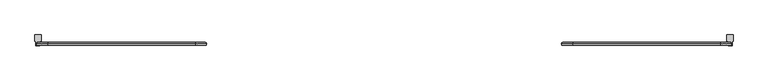
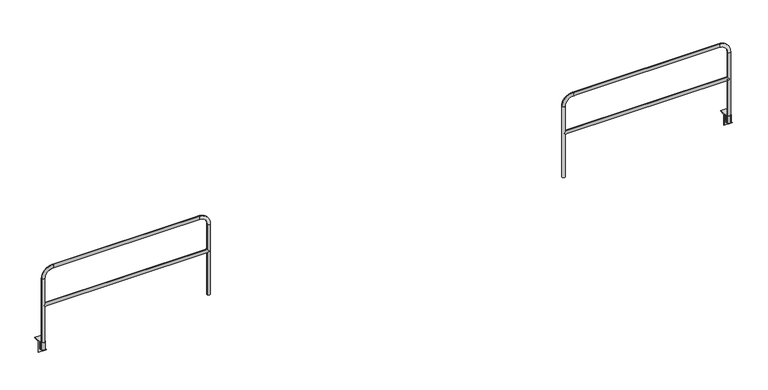
"""IFC4 building model written with IfcOpenShell, lengths in millimetres: railing geometry."""

from ifc_helpers import new_model, si_unit, point, frame, frame_2d, origin, place, context, project, spatial, polyline, circle_curve, ellipse_curve, trimmed, segment, composite_curve, outline, extrude, source, transform, mapped, element, save
from ifc_brep_helpers import plane_surface, cylinder_surface, revolved_surface, advanced_brep


def railing_f17f6f8e(model_context):
    return source(origin(), model_context, "Body", "SolidModel", [
        advanced_brep(
        [(26585.8496377, 12366.0676937, -95.25), (26585.8496377, 12393.0551937, -95.25), (26585.8496377, 12431.1551937, -95.25), (26585.8496377, 12431.1551937, -101.6), (26585.8496377, 12366.0676937, -101.6), (26585.8496377, 12431.1551937, 6.35), (26585.8496377, 12431.1551937, 0.0), (26585.8496377, 12393.0551937, 0.0), (26585.8496377, 12393.0551937, 6.35), (26639.8246377, 12431.1551937, -101.6), (26639.8246377, 12431.1551937, -95.25), (26639.8246377, 12393.0551937, -95.25), (26639.8246377, 12366.0676937, -95.25), (26639.8246377, 12366.0676937, -101.6), (26639.8246377, 12431.1551937, 0.0), (26639.8246377, 12431.1551937, 6.35), (26639.8246377, 12393.0551937, 6.35), (26639.8246377, 12393.0551937, 0.0), (26654.205601, 12513.7051937, 6.35), (26571.4686744, 12513.7051937, 6.35), (26571.4686744, 12431.1551937, 6.35), (26654.205601, 12431.1551937, 6.35), (26654.205601, 12513.7051937, 0.0), (26571.4686744, 12513.7051937, 0.0), (26654.205601, 12437.5051937, 0.0), (26639.8246377, 12437.5051937, 0.0), (26585.8496377, 12437.5051937, 0.0), (26571.4686744, 12437.5051937, 0.0), (26639.8246377, 12437.5051937, -95.25), (26654.205601, 12437.5051937, -152.4), (26571.4686744, 12437.5051937, -152.4), (26585.8496377, 12437.5051937, -95.25), (26612.8371377, 12366.0676937, -95.25), (26654.205601, 12431.1551937, -152.4), (26571.4686744, 12431.1551937, -152.4)],
        [
            (0, 1),
            (1, 2),
            (2, 3),
            (3, 4),
            (4, 0),
            (5, 6),
            (6, 7),
            (7, 8),
            (8, 5),
            (9, 10),
            (10, 11),
            (11, 12),
            (12, 13),
            (13, 9),
            (14, 15),
            (15, 16),
            (16, 17),
            (17, 14),
            (18, 19),
            (19, 20),
            (20, 5),
            (8, 16, circle_curve(frame((26612.8371377, 12393.0551937, 6.35), z_axis=(0.0, 0.0, -1.0), x_axis=(-1.0, 0.0, 0.0)), 26.9875)),
            (15, 21),
            (21, 18),
            (22, 23),
            (23, 19),
            (18, 22),
            (24, 25),
            (25, 14),
            (17, 7, circle_curve(frame((26612.8371377, 12393.0551937, 0.0), z_axis=(0.0, 0.0, 1.0), x_axis=(-1.0, 0.0, 0.0)), 26.9875)),
            (6, 26),
            (26, 27),
            (27, 23),
            (22, 24),
            (28, 25),
            (24, 29),
            (29, 30),
            (30, 27),
            (26, 31),
            (31, 28),
            (31, 2),
            (0, 32),
            (32, 12),
            (10, 28),
            (4, 13),
            (3, 9),
            (21, 33),
            (33, 29),
            (10, 14),
            (30, 34),
            (34, 20),
            (6, 2),
            (34, 33),
        ],
        [
            plane_surface(frame((26585.8496377, 12437.5051937, 0.0), z_axis=(-1.0, 0.0, 0.0), x_axis=(0.0, 0.0, 1.0))),
            plane_surface(frame((26639.8246377, 12437.5051937, 0.0), z_axis=(1.0, 0.0, 0.0), x_axis=(0.0, 0.0, 1.0))),
            plane_surface(frame((26585.8496377, 12513.7051937, 6.35), z_axis=(0.0, 0.0, 1.0), x_axis=(1.0, 0.0, 0.0))),
            plane_surface(frame((26585.8496377, 12513.7051937, 0.0), z_axis=(0.0, 1.0, 0.0), x_axis=(1.0, 0.0, 0.0))),
            plane_surface(frame((26585.8496377, 12393.0551937, 0.0), z_axis=(0.0, 0.0, -1.0), x_axis=(1.0, 0.0, 0.0))),
            plane_surface(frame((26585.8496377, 12437.5051937, -152.4), z_axis=(0.0, 1.0, 0.0), x_axis=(1.0, 0.0, 0.0))),
            plane_surface(frame((26585.8496377, 12437.5051937, -95.25), z_axis=(0.0, 0.0, 1.0), x_axis=(1.0, 0.0, 0.0))),
            plane_surface(frame((26585.8496377, 12366.0676937, -95.25), z_axis=(0.0, -1.0, 0.0), x_axis=(1.0, 0.0, 0.0))),
            plane_surface(frame((26585.8496377, 12366.0676937, -101.6), z_axis=(0.0, 0.0, -1.0), x_axis=(1.0, 0.0, 0.0))),
            plane_surface(frame((26654.205601, 12437.5051937, 0.0), z_axis=(1.0, 0.0, 0.0), x_axis=(0.0, 0.0, 1.0))),
            plane_surface(frame((26639.8246377, 12437.5051937, 0.0), z_axis=(-1.0, 0.0, 0.0), x_axis=(0.0, 0.0, 1.0))),
            plane_surface(frame((26571.4686744, 12437.5051937, 0.0), z_axis=(-1.0, 0.0, 0.0), x_axis=(0.0, 0.0, 1.0))),
            plane_surface(frame((26585.8496377, 12437.5051937, 0.0), z_axis=(1.0, 0.0, 0.0), x_axis=(0.0, 0.0, 1.0))),
            revolved_surface(polyline([(26585.8496377, 12393.0551937, 6.349999999999994), (26585.8496377, 12393.0551937, 0.0)]), (26612.8371377, 12393.0551937, -95.25), (0.0, 0.0, 1.0)),
            plane_surface(frame((26585.8496377, 12431.1551937, -101.6), z_axis=(0.0, -1.0, 0.0), x_axis=(1.0, 0.0, 0.0))),
            plane_surface(frame((26585.8496377, 12431.1551937, -152.4), z_axis=(0.0, 0.0, -1.0), x_axis=(1.0, 0.0, 0.0))),
        ],
        [
            (0, [[1, 2, 3, 4, 5]]),
            (0, [[6, 7, 8, 9]]),
            (1, [[10, 11, 12, 13, 14]]),
            (1, [[15, 16, 17, 18]]),
            (2, [[19, 20, 21, -9, 22, -16, 23, 24]]),
            (3, [[25, 26, -19, 27]]),
            (4, [[28, 29, -18, 30, -7, 31, 32, 33, -25, 34]]),
            (5, [[35, -28, 36, 37, 38, -32, 39, 40]]),
            (6, [[41, -2, -1, 42, 43, -12, -11, 44, -40]]),
            (7, [[45, -13, -43, -42, -5]]),
            (8, [[46, -14, -45, -4]]),
            (9, [[-36, -34, -27, -24, 47, 48]]),
            (10, [[-44, 49, -29, -35]]),
            (11, [[50, 51, -20, -26, -33, -38]]),
            (12, [[-31, 52, -41, -39]]),
            (13, [[-30, -17, -22, -8]]),
            (14, [[-3, -52, -6, -21, -51, 53, -47, -23, -15, -49, -10, -46]]),
            (15, [[-53, -50, -37, -48]]),
        ],
    ),
        extrude(outline(composite_curve([segment(trimmed(circle_curve(frame_2d((26612.8371377, 12393.0551937)), 26.9875), [point((26639.8246377, 12393.0551937))], [point((26585.8496377, 12393.0551937))], False, "CARTESIAN"), True, "CONTINUOUS"), segment(trimmed(circle_curve(frame_2d((26612.8371377, 12393.0551937)), 26.9875), [point((26585.8496377, 12393.0551937))], [point((26639.8246377, 12393.0551937))], False, "CARTESIAN"), True, "CONTINUOUS")], self_intersect=False), holes=[composite_curve([segment(trimmed(circle_curve(frame_2d((26612.8371377, 12393.0551937)), 20.6375), [point((26633.4746377, 12393.0551937))], [point((26592.1996377, 12393.0551937))], True, "CARTESIAN"), True, "CONTINUOUS"), segment(trimmed(circle_curve(frame_2d((26612.8371377, 12393.0551937)), 20.6375), [point((26592.1996377, 12393.0551937))], [point((26633.4746377, 12393.0551937))], True, "CARTESIAN"), True, "CONTINUOUS")], self_intersect=False)]), frame((0.0, 0.0, -95.25), z_axis=(0.0, 0.0, 1.0), x_axis=(1.0, 0.0, 0.0)), (0.0, 0.0, 1.0), 101.6),
        advanced_brep(
        [(24388.7496377, 12393.0551937, 554.0375), (24368.1121377, 12372.4176937, 533.4), (24388.7496377, 12393.0551937, 512.7625), (26592.1996377, 12393.0551937, 512.7625), (26612.8371377, 12372.4176937, 533.4), (26592.1996377, 12393.0551937, 554.0375), (26612.8371377, 12413.6926937, 533.4), (24368.1121377, 12413.6926937, 533.4), (24347.4746377, 12393.0551937, -95.25), (24388.7496377, 12393.0551937, -95.25), (24388.7496377, 12393.0551937, 914.4), (24347.4746377, 12393.0551937, 914.4), (24499.8746377, 12393.0551937, 1025.525), (24499.8746377, 12393.0551937, 1066.8), (26481.0746377, 12393.0551937, 1025.525), (26481.0746377, 12393.0551937, 1066.8), (26592.1996377, 12393.0551937, 914.4), (26633.4746377, 12393.0551937, 914.4), (26633.4746377, 12393.0551937, -95.25), (26592.1996377, 12393.0551937, -95.25)],
        [
            (0, 1, ellipse_curve(frame((24368.1121377, 12393.0551937, 533.4), z_axis=(0.7071067811865475, 0.0, -0.7071067811865475), x_axis=(-0.7071067811865476, 0.0, -0.7071067811865474)), 29.1858324, 20.6375)),
            (1, 2, ellipse_curve(frame((24368.1121377, 12393.0551937, 533.4), z_axis=(0.7071067811865475, 0.0, 0.7071067811865475), x_axis=(-0.7071067811865476, 0.0, 0.7071067811865474)), 29.1858324, 20.6375)),
            (2, 3),
            (3, 4, ellipse_curve(frame((26612.8371377, 12393.0551937, 533.4), z_axis=(-0.7071067811865475, 0.0, 0.7071067811865475), x_axis=(-0.7071067811865476, 0.0, -0.7071067811865474)), 29.1858324, 20.6375)),
            (4, 5, ellipse_curve(frame((26612.8371377, 12393.0551937, 533.4), z_axis=(-0.7071067811865475, 0.0, -0.7071067811865475), x_axis=(-0.7071067811865476, 0.0, 0.7071067811865474)), 29.1858324, 20.6375)),
            (5, 0),
            (5, 6, ellipse_curve(frame((26612.8371377, 12393.0551937, 533.4), z_axis=(-0.7071067811865475, 0.0, -0.7071067811865475), x_axis=(-0.7071067811865476, 0.0, 0.7071067811865474)), 29.1858324, 20.6375)),
            (6, 3, ellipse_curve(frame((26612.8371377, 12393.0551937, 533.4), z_axis=(-0.7071067811865475, 0.0, 0.7071067811865475), x_axis=(-0.7071067811865476, 0.0, -0.7071067811865474)), 29.1858324, 20.6375)),
            (2, 7, ellipse_curve(frame((24368.1121377, 12393.0551937, 533.4), z_axis=(0.7071067811865475, 0.0, 0.7071067811865475), x_axis=(-0.7071067811865476, 0.0, 0.7071067811865474)), 29.1858324, 20.6375)),
            (7, 0, ellipse_curve(frame((24368.1121377, 12393.0551937, 533.4), z_axis=(0.7071067811865475, 0.0, -0.7071067811865475), x_axis=(-0.7071067811865476, 0.0, -0.7071067811865474)), 29.1858324, 20.6375)),
            (8, 9, circle_curve(frame((24368.1121377, 12393.0551937, -95.25), z_axis=(0.0, 0.0, -1.0), x_axis=(1.0, 0.0, 0.0)), 20.6375)),
            (9, 8, circle_curve(frame((24368.1121377, 12393.0551937, -95.25), z_axis=(0.0, 0.0, -1.0), x_axis=(1.0, 0.0, 0.0)), 20.6375)),
            (9, 2),
            (0, 10),
            (10, 11, circle_curve(frame((24368.1121377, 12393.0551937, 914.4), z_axis=(0.0, 0.0, -1.0), x_axis=(1.0, 0.0, 0.0)), 20.6375)),
            (11, 8),
            (11, 10, circle_curve(frame((24368.1121377, 12393.0551937, 914.4), z_axis=(0.0, 0.0, -1.0), x_axis=(1.0, 0.0, 0.0)), 20.6375)),
            (10, 12, circle_curve(frame((24499.8746377, 12393.0551937, 914.4), z_axis=(0.0, 1.0, 0.0), x_axis=(-1.0, 0.0, 0.0)), 111.125)),
            (12, 13, circle_curve(frame((24499.8746377, 12393.0551937, 1046.1625), z_axis=(-1.0, 0.0, 0.0), x_axis=(0.0, 0.0, -1.0)), 20.6375)),
            (13, 11, circle_curve(frame((24499.8746377, 12393.0551937, 914.4), z_axis=(0.0, -1.0, 0.0), x_axis=(-1.0, 0.0, 0.0)), 152.4)),
            (13, 12, circle_curve(frame((24499.8746377, 12393.0551937, 1046.1625), z_axis=(-1.0, 0.0, 0.0), x_axis=(0.0, 0.0, -1.0)), 20.6375)),
            (12, 14),
            (14, 15, circle_curve(frame((26481.0746377, 12393.0551937, 1046.1625), z_axis=(-1.0, 0.0, 0.0), x_axis=(0.0, 0.0, -1.0)), 20.6375)),
            (15, 13),
            (15, 14, circle_curve(frame((26481.0746377, 12393.0551937, 1046.1625), z_axis=(-1.0, 0.0, 0.0), x_axis=(0.0, 0.0, -1.0)), 20.6375)),
            (14, 16, circle_curve(frame((26481.0746377, 12393.0551937, 914.4), z_axis=(0.0, 1.0, 0.0), x_axis=(0.0, 0.0, 1.0)), 111.125)),
            (16, 17, circle_curve(frame((26612.8371377, 12393.0551937, 914.4), z_axis=(0.0, 0.0, 1.0), x_axis=(-1.0, 0.0, 0.0)), 20.6375)),
            (17, 15, circle_curve(frame((26481.0746377, 12393.0551937, 914.4), z_axis=(0.0, -1.0, 0.0), x_axis=(0.0, 0.0, 1.0)), 152.4)),
            (17, 16, circle_curve(frame((26612.8371377, 12393.0551937, 914.4), z_axis=(0.0, 0.0, 1.0), x_axis=(-1.0, 0.0, 0.0)), 20.6375)),
            (18, 19, circle_curve(frame((26612.8371377, 12393.0551937, -95.25), z_axis=(0.0, 0.0, -1.0), x_axis=(-1.0, 0.0, 0.0)), 20.6375)),
            (19, 18, circle_curve(frame((26612.8371377, 12393.0551937, -95.25), z_axis=(0.0, 0.0, -1.0), x_axis=(-1.0, 0.0, 0.0)), 20.6375)),
            (16, 5),
            (3, 19),
            (18, 17),
        ],
        [
            cylinder_surface(frame((24368.1121377, 12393.0551937, 533.4), z_axis=(-1.0, 0.0, 0.0), x_axis=(0.0, 0.0, -1.0)), 20.6375),
            plane_surface(frame((24347.4746377, 12393.0551937, -95.25), z_axis=(0.0, 0.0, -1.0), x_axis=(0.0, -1.0, 0.0))),
            cylinder_surface(frame((24368.1121377, 12393.0551937, -95.25), z_axis=(0.0, 0.0, -1.0), x_axis=(1.0, 0.0, 0.0)), 20.6375),
            revolved_surface(trimmed(ellipse_curve(frame((24368.1121377, 12393.0551937, 914.4), z_axis=(0.0, 0.0, 1.0), x_axis=(1.0, 0.0, 0.0)), 20.6375, 20.6375), [point((24347.4746377, 12393.0551937, 914.4))], [point((24388.7496377, 12393.0551937, 914.4))], True, "CARTESIAN"), (24499.8746377, 12393.0551937, 914.4), (0.0, -1.0, 0.0)),
            revolved_surface(trimmed(ellipse_curve(frame((24368.1121377, 12393.0551937, 914.4), z_axis=(0.0, 0.0, 1.0), x_axis=(1.0, 0.0, 0.0)), 20.6375, 20.6375), [point((24388.7496377, 12393.0551937, 914.4))], [point((24347.4746377, 12393.0551937, 914.4))], True, "CARTESIAN"), (24499.8746377, 12393.0551937, 914.4), (0.0, -1.0, 0.0)),
            cylinder_surface(frame((24499.8746377, 12393.0551937, 1046.1625), z_axis=(-1.0, 0.0, 0.0), x_axis=(0.0, 0.0, -1.0)), 20.6375),
            revolved_surface(trimmed(ellipse_curve(frame((26481.0746377, 12393.0551937, 1046.1625), z_axis=(1.0, 0.0, 0.0), x_axis=(0.0, 0.0, -1.0)), 20.6375, 20.6375), [point((26481.0746377, 12393.0551937, 1066.8))], [point((26481.0746377, 12393.0551937, 1025.525))], True, "CARTESIAN"), (26481.0746377, 12393.0551937, 914.4), (0.0, -1.0, 0.0)),
            revolved_surface(trimmed(ellipse_curve(frame((26481.0746377, 12393.0551937, 1046.1625), z_axis=(1.0, 0.0, 0.0), x_axis=(0.0, 0.0, -1.0)), 20.6375, 20.6375), [point((26481.0746377, 12393.0551937, 1025.525))], [point((26481.0746377, 12393.0551937, 1066.8))], True, "CARTESIAN"), (26481.0746377, 12393.0551937, 914.4), (0.0, -1.0, 0.0)),
            plane_surface(frame((26633.4746377, 12393.0551937, -95.25), z_axis=(0.0, 0.0, -1.0), x_axis=(0.0, -1.0, 0.0))),
            cylinder_surface(frame((26612.8371377, 12393.0551937, 914.4), z_axis=(0.0, 0.0, 1.0), x_axis=(-1.0, 0.0, 0.0)), 20.6375),
        ],
        [
            (0, [[1, 2, 3, 4, 5, 6]]),
            (0, [[7, 8, -3, 9, 10, -6]]),
            (1, [[11, 12]]),
            (2, [[13, -2, -1, 14, 15, 16, -12]]),
            (2, [[-16, 17, -14, -10, -9, -13, -11]]),
            (3, [[18, 19, 20, -15]]),
            (4, [[-20, 21, -18, -17]]),
            (5, [[22, 23, 24, -19]]),
            (5, [[-24, 25, -22, -21]]),
            (6, [[26, 27, 28, -23]]),
            (7, [[-28, 29, -26, -25]]),
            (8, [[30, 31]]),
            (9, [[32, -5, -4, 33, -30, 34, -27]]),
            (9, [[-34, -31, -33, -8, -7, -32, -29]]),
        ],
    ),
        advanced_brep(
        [(17283.7346377, 12366.0676937, -95.25), (17283.7346377, 12393.0551937, -95.25), (17283.7346377, 12431.1551937, -95.25), (17283.7346377, 12431.1551937, -101.6), (17283.7346377, 12366.0676937, -101.6), (17283.7346377, 12431.1551937, 6.35), (17283.7346377, 12431.1551937, 0.0), (17283.7346377, 12393.0551937, 0.0), (17283.7346377, 12393.0551937, 6.35), (17337.7096377, 12431.1551937, -101.6), (17337.7096377, 12431.1551937, -95.25), (17337.7096377, 12393.0551937, -95.25), (17337.7096377, 12366.0676937, -95.25), (17337.7096377, 12366.0676937, -101.6), (17337.7096377, 12431.1551937, 0.0), (17337.7096377, 12431.1551937, 6.35), (17337.7096377, 12393.0551937, 6.35), (17337.7096377, 12393.0551937, 0.0), (17352.090601, 12513.7051937, 6.35), (17269.3536744, 12513.7051937, 6.35), (17269.3536744, 12431.1551937, 6.35), (17352.090601, 12431.1551937, 6.35), (17352.090601, 12513.7051937, 0.0), (17269.3536744, 12513.7051937, 0.0), (17352.090601, 12437.5051937, 0.0), (17337.7096377, 12437.5051937, 0.0), (17283.7346377, 12437.5051937, 0.0), (17269.3536744, 12437.5051937, 0.0), (17337.7096377, 12437.5051937, -95.25), (17352.090601, 12437.5051937, -152.4), (17269.3536744, 12437.5051937, -152.4), (17283.7346377, 12437.5051937, -95.25), (17310.7221377, 12366.0676937, -95.25), (17352.090601, 12431.1551937, -152.4), (17269.3536744, 12431.1551937, -152.4)],
        [
            (0, 1),
            (1, 2),
            (2, 3),
            (3, 4),
            (4, 0),
            (5, 6),
            (6, 7),
            (7, 8),
            (8, 5),
            (9, 10),
            (10, 11),
            (11, 12),
            (12, 13),
            (13, 9),
            (14, 15),
            (15, 16),
            (16, 17),
            (17, 14),
            (18, 19),
            (19, 20),
            (20, 5),
            (8, 16, circle_curve(frame((17310.7221377, 12393.0551937, 6.35), z_axis=(0.0, 0.0, -1.0), x_axis=(-1.0, 0.0, 0.0)), 26.9875)),
            (15, 21),
            (21, 18),
            (22, 23),
            (23, 19),
            (18, 22),
            (24, 25),
            (25, 14),
            (17, 7, circle_curve(frame((17310.7221377, 12393.0551937, 0.0), z_axis=(0.0, 0.0, 1.0), x_axis=(-1.0, 0.0, 0.0)), 26.9875)),
            (6, 26),
            (26, 27),
            (27, 23),
            (22, 24),
            (28, 25),
            (24, 29),
            (29, 30),
            (30, 27),
            (26, 31),
            (31, 28),
            (31, 2),
            (0, 32),
            (32, 12),
            (10, 28),
            (4, 13),
            (3, 9),
            (21, 33),
            (33, 29),
            (10, 14),
            (30, 34),
            (34, 20),
            (6, 2),
            (34, 33),
        ],
        [
            plane_surface(frame((17283.7346377, 12437.5051937, 0.0), z_axis=(-1.0, 0.0, 0.0), x_axis=(0.0, 0.0, 1.0))),
            plane_surface(frame((17337.7096377, 12437.5051937, 0.0), z_axis=(1.0, 0.0, 0.0), x_axis=(0.0, 0.0, 1.0))),
            plane_surface(frame((17283.7346377, 12513.7051937, 6.35), z_axis=(0.0, 0.0, 1.0), x_axis=(1.0, 0.0, 0.0))),
            plane_surface(frame((17283.7346377, 12513.7051937, 0.0), z_axis=(0.0, 1.0, 0.0), x_axis=(1.0, 0.0, 0.0))),
            plane_surface(frame((17283.7346377, 12393.0551937, 0.0), z_axis=(0.0, 0.0, -1.0), x_axis=(1.0, 0.0, 0.0))),
            plane_surface(frame((17283.7346377, 12437.5051937, -152.4), z_axis=(0.0, 1.0, 0.0), x_axis=(1.0, 0.0, 0.0))),
            plane_surface(frame((17283.7346377, 12437.5051937, -95.25), z_axis=(0.0, 0.0, 1.0), x_axis=(1.0, 0.0, 0.0))),
            plane_surface(frame((17283.7346377, 12366.0676937, -95.25), z_axis=(0.0, -1.0, 0.0), x_axis=(1.0, 0.0, 0.0))),
            plane_surface(frame((17283.7346377, 12366.0676937, -101.6), z_axis=(0.0, 0.0, -1.0), x_axis=(1.0, 0.0, 0.0))),
            plane_surface(frame((17352.090601, 12437.5051937, 0.0), z_axis=(1.0, 0.0, 0.0), x_axis=(0.0, 0.0, 1.0))),
            plane_surface(frame((17337.7096377, 12437.5051937, 0.0), z_axis=(-1.0, 0.0, 0.0), x_axis=(0.0, 0.0, 1.0))),
            plane_surface(frame((17269.3536744, 12437.5051937, 0.0), z_axis=(-1.0, 0.0, 0.0), x_axis=(0.0, 0.0, 1.0))),
            plane_surface(frame((17283.7346377, 12437.5051937, 0.0), z_axis=(1.0, 0.0, 0.0), x_axis=(0.0, 0.0, 1.0))),
            revolved_surface(polyline([(17283.7346377, 12393.0551937, 6.349999999999994), (17283.7346377, 12393.0551937, 0.0)]), (17310.7221377, 12393.0551937, -95.25), (0.0, 0.0, 1.0)),
            plane_surface(frame((17283.7346377, 12431.1551937, -101.6), z_axis=(0.0, -1.0, 0.0), x_axis=(1.0, 0.0, 0.0))),
            plane_surface(frame((17283.7346377, 12431.1551937, -152.4), z_axis=(0.0, 0.0, -1.0), x_axis=(1.0, 0.0, 0.0))),
        ],
        [
            (0, [[1, 2, 3, 4, 5]]),
            (0, [[6, 7, 8, 9]]),
            (1, [[10, 11, 12, 13, 14]]),
            (1, [[15, 16, 17, 18]]),
            (2, [[19, 20, 21, -9, 22, -16, 23, 24]]),
            (3, [[25, 26, -19, 27]]),
            (4, [[28, 29, -18, 30, -7, 31, 32, 33, -25, 34]]),
            (5, [[35, -28, 36, 37, 38, -32, 39, 40]]),
            (6, [[41, -2, -1, 42, 43, -12, -11, 44, -40]]),
            (7, [[45, -13, -43, -42, -5]]),
            (8, [[46, -14, -45, -4]]),
            (9, [[-36, -34, -27, -24, 47, 48]]),
            (10, [[-44, 49, -29, -35]]),
            (11, [[50, 51, -20, -26, -33, -38]]),
            (12, [[-31, 52, -41, -39]]),
            (13, [[-30, -17, -22, -8]]),
            (14, [[-3, -52, -6, -21, -51, 53, -47, -23, -15, -49, -10, -46]]),
            (15, [[-53, -50, -37, -48]]),
        ],
    ),
        extrude(outline(composite_curve([segment(trimmed(circle_curve(frame_2d((17310.7221377, 12393.0551937)), 26.9875), [point((17337.7096377, 12393.0551937))], [point((17283.7346377, 12393.0551937))], False, "CARTESIAN"), True, "CONTINUOUS"), segment(trimmed(circle_curve(frame_2d((17310.7221377, 12393.0551937)), 26.9875), [point((17283.7346377, 12393.0551937))], [point((17337.7096377, 12393.0551937))], False, "CARTESIAN"), True, "CONTINUOUS")], self_intersect=False), holes=[composite_curve([segment(trimmed(circle_curve(frame_2d((17310.7221377, 12393.0551937)), 20.6375), [point((17331.3596377, 12393.0551937))], [point((17290.0846377, 12393.0551937))], True, "CARTESIAN"), True, "CONTINUOUS"), segment(trimmed(circle_curve(frame_2d((17310.7221377, 12393.0551937)), 20.6375), [point((17290.0846377, 12393.0551937))], [point((17331.3596377, 12393.0551937))], True, "CARTESIAN"), True, "CONTINUOUS")], self_intersect=False)]), frame((0.0, 0.0, -95.25), z_axis=(0.0, 0.0, 1.0), x_axis=(1.0, 0.0, 0.0)), (0.0, 0.0, 1.0), 101.6),
        advanced_brep(
        [(17331.3596377, 12393.0551937, 554.0375), (17310.7221377, 12372.4176937, 533.4), (17331.3596377, 12393.0551937, 512.7625), (19534.8096377, 12393.0551937, 512.7625), (19555.4471377, 12372.4176937, 533.4), (19534.8096377, 12393.0551937, 554.0375), (19555.4471377, 12413.6926937, 533.4), (17310.7221377, 12413.6926937, 533.4), (17290.0846377, 12393.0551937, -95.25), (17331.3596377, 12393.0551937, -95.25), (17331.3596377, 12393.0551937, 914.4), (17290.0846377, 12393.0551937, 914.4), (17442.4846377, 12393.0551937, 1025.525), (17442.4846377, 12393.0551937, 1066.8), (19423.6846377, 12393.0551937, 1025.525), (19423.6846377, 12393.0551937, 1066.8), (19534.8096377, 12393.0551937, 914.4), (19576.0846377, 12393.0551937, 914.4), (19576.0846377, 12393.0551937, -95.25), (19534.8096377, 12393.0551937, -95.25)],
        [
            (0, 1, ellipse_curve(frame((17310.7221377, 12393.0551937, 533.4), z_axis=(0.7071067811865475, 0.0, -0.7071067811865475), x_axis=(-0.7071067811865476, 0.0, -0.7071067811865474)), 29.1858324, 20.6375)),
            (1, 2, ellipse_curve(frame((17310.7221377, 12393.0551937, 533.4), z_axis=(0.7071067811865475, 0.0, 0.7071067811865475), x_axis=(-0.7071067811865476, 0.0, 0.7071067811865474)), 29.1858324, 20.6375)),
            (2, 3),
            (3, 4, ellipse_curve(frame((19555.4471377, 12393.0551937, 533.4), z_axis=(-0.7071067811865475, 0.0, 0.7071067811865475), x_axis=(-0.7071067811865476, 0.0, -0.7071067811865474)), 29.1858324, 20.6375)),
            (4, 5, ellipse_curve(frame((19555.4471377, 12393.0551937, 533.4), z_axis=(-0.7071067811865475, 0.0, -0.7071067811865475), x_axis=(-0.7071067811865476, 0.0, 0.7071067811865474)), 29.1858324, 20.6375)),
            (5, 0),
            (5, 6, ellipse_curve(frame((19555.4471377, 12393.0551937, 533.4), z_axis=(-0.7071067811865475, 0.0, -0.7071067811865475), x_axis=(-0.7071067811865476, 0.0, 0.7071067811865474)), 29.1858324, 20.6375)),
            (6, 3, ellipse_curve(frame((19555.4471377, 12393.0551937, 533.4), z_axis=(-0.7071067811865475, 0.0, 0.7071067811865475), x_axis=(-0.7071067811865476, 0.0, -0.7071067811865474)), 29.1858324, 20.6375)),
            (2, 7, ellipse_curve(frame((17310.7221377, 12393.0551937, 533.4), z_axis=(0.7071067811865475, 0.0, 0.7071067811865475), x_axis=(-0.7071067811865476, 0.0, 0.7071067811865474)), 29.1858324, 20.6375)),
            (7, 0, ellipse_curve(frame((17310.7221377, 12393.0551937, 533.4), z_axis=(0.7071067811865475, 0.0, -0.7071067811865475), x_axis=(-0.7071067811865476, 0.0, -0.7071067811865474)), 29.1858324, 20.6375)),
            (8, 9, circle_curve(frame((17310.7221377, 12393.0551937, -95.25), z_axis=(0.0, 0.0, -1.0), x_axis=(1.0, 0.0, 0.0)), 20.6375)),
            (9, 8, circle_curve(frame((17310.7221377, 12393.0551937, -95.25), z_axis=(0.0, 0.0, -1.0), x_axis=(1.0, 0.0, 0.0)), 20.6375)),
            (9, 2),
            (0, 10),
            (10, 11, circle_curve(frame((17310.7221377, 12393.0551937, 914.4), z_axis=(0.0, 0.0, -1.0), x_axis=(1.0, 0.0, 0.0)), 20.6375)),
            (11, 8),
            (11, 10, circle_curve(frame((17310.7221377, 12393.0551937, 914.4), z_axis=(0.0, 0.0, -1.0), x_axis=(1.0, 0.0, 0.0)), 20.6375)),
            (10, 12, circle_curve(frame((17442.4846377, 12393.0551937, 914.4), z_axis=(0.0, 1.0, 0.0), x_axis=(-1.0, 0.0, 0.0)), 111.125)),
            (12, 13, circle_curve(frame((17442.4846377, 12393.0551937, 1046.1625), z_axis=(-1.0, 0.0, 0.0), x_axis=(0.0, 0.0, -1.0)), 20.6375)),
            (13, 11, circle_curve(frame((17442.4846377, 12393.0551937, 914.4), z_axis=(0.0, -1.0, 0.0), x_axis=(-1.0, 0.0, 0.0)), 152.4)),
            (13, 12, circle_curve(frame((17442.4846377, 12393.0551937, 1046.1625), z_axis=(-1.0, 0.0, 0.0), x_axis=(0.0, 0.0, -1.0)), 20.6375)),
            (12, 14),
            (14, 15, circle_curve(frame((19423.6846377, 12393.0551937, 1046.1625), z_axis=(-1.0, 0.0, 0.0), x_axis=(0.0, 0.0, -1.0)), 20.6375)),
            (15, 13),
            (15, 14, circle_curve(frame((19423.6846377, 12393.0551937, 1046.1625), z_axis=(-1.0, 0.0, 0.0), x_axis=(0.0, 0.0, -1.0)), 20.6375)),
            (14, 16, circle_curve(frame((19423.6846377, 12393.0551937, 914.4), z_axis=(0.0, 1.0, 0.0), x_axis=(0.0, 0.0, 1.0)), 111.125)),
            (16, 17, circle_curve(frame((19555.4471377, 12393.0551937, 914.4), z_axis=(0.0, 0.0, 1.0), x_axis=(-1.0, 0.0, 0.0)), 20.6375)),
            (17, 15, circle_curve(frame((19423.6846377, 12393.0551937, 914.4), z_axis=(0.0, -1.0, 0.0), x_axis=(0.0, 0.0, 1.0)), 152.4)),
            (17, 16, circle_curve(frame((19555.4471377, 12393.0551937, 914.4), z_axis=(0.0, 0.0, 1.0), x_axis=(-1.0, 0.0, 0.0)), 20.6375)),
            (18, 19, circle_curve(frame((19555.4471377, 12393.0551937, -95.25), z_axis=(0.0, 0.0, -1.0), x_axis=(-1.0, 0.0, 0.0)), 20.6375)),
            (19, 18, circle_curve(frame((19555.4471377, 12393.0551937, -95.25), z_axis=(0.0, 0.0, -1.0), x_axis=(-1.0, 0.0, 0.0)), 20.6375)),
            (16, 5),
            (3, 19),
            (18, 17),
        ],
        [
            cylinder_surface(frame((17310.7221377, 12393.0551937, 533.4), z_axis=(-1.0, 0.0, 0.0), x_axis=(0.0, 0.0, -1.0)), 20.6375),
            plane_surface(frame((17290.0846377, 12393.0551937, -95.25), z_axis=(0.0, 0.0, -1.0), x_axis=(0.0, -1.0, 0.0))),
            cylinder_surface(frame((17310.7221377, 12393.0551937, -95.25), z_axis=(0.0, 0.0, -1.0), x_axis=(1.0, 0.0, 0.0)), 20.6375),
            revolved_surface(trimmed(ellipse_curve(frame((17310.7221377, 12393.0551937, 914.4), z_axis=(0.0, 0.0, 1.0), x_axis=(1.0, 0.0, 0.0)), 20.6375, 20.6375), [point((17290.0846377, 12393.0551937, 914.4))], [point((17331.3596377, 12393.0551937, 914.4))], True, "CARTESIAN"), (17442.4846377, 12393.0551937, 914.4), (0.0, -1.0, 0.0)),
            revolved_surface(trimmed(ellipse_curve(frame((17310.7221377, 12393.0551937, 914.4), z_axis=(0.0, 0.0, 1.0), x_axis=(1.0, 0.0, 0.0)), 20.6375, 20.6375), [point((17331.3596377, 12393.0551937, 914.4))], [point((17290.0846377, 12393.0551937, 914.4))], True, "CARTESIAN"), (17442.4846377, 12393.0551937, 914.4), (0.0, -1.0, 0.0)),
            cylinder_surface(frame((17442.4846377, 12393.0551937, 1046.1625), z_axis=(-1.0, 0.0, 0.0), x_axis=(0.0, 0.0, -1.0)), 20.6375),
            revolved_surface(trimmed(ellipse_curve(frame((19423.6846377, 12393.0551937, 1046.1625), z_axis=(1.0, 0.0, 0.0), x_axis=(0.0, 0.0, -1.0)), 20.6375, 20.6375), [point((19423.6846377, 12393.0551937, 1066.8))], [point((19423.6846377, 12393.0551937, 1025.525))], True, "CARTESIAN"), (19423.6846377, 12393.0551937, 914.4), (0.0, -1.0, 0.0)),
            revolved_surface(trimmed(ellipse_curve(frame((19423.6846377, 12393.0551937, 1046.1625), z_axis=(1.0, 0.0, 0.0), x_axis=(0.0, 0.0, -1.0)), 20.6375, 20.6375), [point((19423.6846377, 12393.0551937, 1025.525))], [point((19423.6846377, 12393.0551937, 1066.8))], True, "CARTESIAN"), (19423.6846377, 12393.0551937, 914.4), (0.0, -1.0, 0.0)),
            plane_surface(frame((19576.0846377, 12393.0551937, -95.25), z_axis=(0.0, 0.0, -1.0), x_axis=(0.0, -1.0, 0.0))),
            cylinder_surface(frame((19555.4471377, 12393.0551937, 914.4), z_axis=(0.0, 0.0, 1.0), x_axis=(-1.0, 0.0, 0.0)), 20.6375),
        ],
        [
            (0, [[1, 2, 3, 4, 5, 6]]),
            (0, [[7, 8, -3, 9, 10, -6]]),
            (1, [[11, 12]]),
            (2, [[13, -2, -1, 14, 15, 16, -12]]),
            (2, [[-16, 17, -14, -10, -9, -13, -11]]),
            (3, [[18, 19, 20, -15]]),
            (4, [[-20, 21, -18, -17]]),
            (5, [[22, 23, 24, -19]]),
            (5, [[-24, 25, -22, -21]]),
            (6, [[26, 27, 28, -23]]),
            (7, [[-28, 29, -26, -25]]),
            (8, [[30, 31]]),
            (9, [[32, -5, -4, 33, -30, 34, -27]]),
            (9, [[-34, -31, -33, -8, -7, -32, -29]]),
        ],
    ),
    ])


if __name__ == "__main__":
    model = new_model("IFC4")
    model_context = context("Model", 3, world=origin())
    ifc_project = project(units=[si_unit("LENGTHUNIT", "METRE", prefix="MILLI")], contexts=[model_context])
    site = spatial("IfcSite", under=ifc_project)
    building = spatial("IfcBuilding", under=site)
    placement = place(None, origin())
    railing_shape = railing_f17f6f8e(model_context)
    element("IfcRailing", 1, at=placement, inside=building, context=model_context, shape_type="MappedRepresentation", body=[
        mapped(railing_shape, transform((0.0, 0.0, 0.0), x_axis=(1.0, 0.0, 0.0), y_axis=(0.0, 1.0, 0.0), z_axis=(0.0, 0.0, 1.0))),
    ])
    save(model, "model.ifc")
